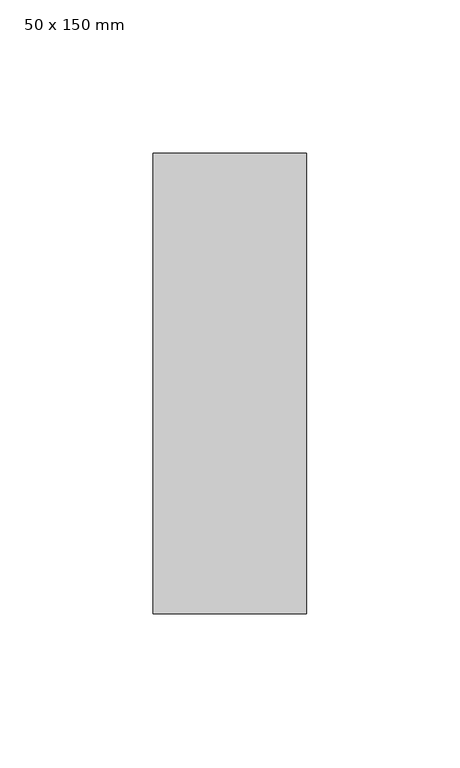
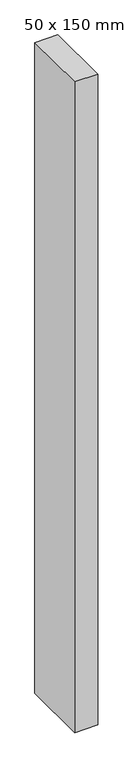
"""IFC4 building model written with IfcOpenShell, lengths in millimetres: member geometry, 50 x 150 mm."""

from ifc_helpers import new_model, si_unit, frame, origin, place, context, project, spatial, polyline, outline, extrude, source, transform, mapped, element, save


def member_50_x_150_mm_964d2677(model_context):
    return source(origin(), model_context, "Body", "SweptSolid", [
        extrude(outline(polyline([(25.0, 75.0), (25.0, -75.0), (-25.0, -75.0), (-25.0, 75.0), (25.0, 75.0)])), frame((0.0, 0.0, -1500.0), z_axis=(0.0, 0.0, 1.0), x_axis=(1.0, 0.0, 0.0)), (0.0, 0.0, 1.0), 1500.0),
    ])


if __name__ == "__main__":
    model = new_model("IFC4")
    model_context = context("Model", 3, world=origin())
    ifc_project = project(units=[si_unit("LENGTHUNIT", "METRE", prefix="MILLI")], contexts=[model_context])
    site = spatial("IfcSite", under=ifc_project)
    building = spatial("IfcBuilding", under=site)
    placement = place(None, origin())
    member_50_x_150_mm_shape = member_50_x_150_mm_964d2677(model_context)
    element("IfcMember", 1, ObjectType="50 x 150 mm", at=placement, inside=building, context=model_context, shape_type="MappedRepresentation", body=[
        mapped(member_50_x_150_mm_shape, transform((0.0, 0.0, 0.0), x_axis=(1.0, 0.0, 0.0), y_axis=(0.0, 1.0, 0.0), z_axis=(0.0, 0.0, 1.0))),
    ])
    save(model, "model.ifc")
